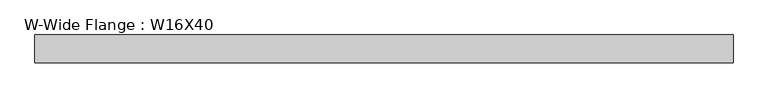
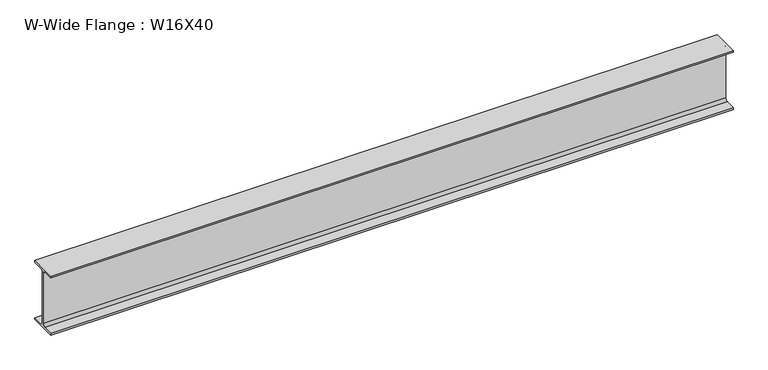
"""IFC4 building model written with IfcOpenShell, lengths in millimetres: beam geometry, W-Wide Flange : W16X40."""

from ifc_helpers import new_model, si_unit, point, frame, frame_2d, origin, place, context, project, spatial, polyline, circle_curve, trimmed, segment, composite_curve, outline, extrude, source, transform, mapped, element, save


def w_wide_flange_w16x40_737625fa(model_context):
    return source(origin(), model_context, "Body", "SweptSolid", [
        extrude(outline(composite_curve([segment(polyline([(88.9, -190.4), (88.9, -203.2), (-88.9, -203.2), (-88.9, -190.4), (-21.25, -190.4)]), True, "CONTINUOUS"), segment(trimmed(circle_curve(frame_2d((-21.25, -173.0)), 17.4), [point((-21.25, -190.4))], [point((-3.85, -173.0))], True, "CARTESIAN"), True, "CONTINUOUS"), segment(polyline([(-3.85, -173.0), (-3.85, 173.0)]), True, "CONTINUOUS"), segment(trimmed(circle_curve(frame_2d((-21.25, 173.0)), 17.4), [point((-3.85, 173.0))], [point((-21.25, 190.4))], True, "CARTESIAN"), True, "CONTINUOUS"), segment(polyline([(-21.25, 190.4), (-88.9, 190.4), (-88.9, 203.2), (88.9, 203.2), (88.9, 190.4), (21.25, 190.4)]), True, "CONTINUOUS"), segment(trimmed(circle_curve(frame_2d((21.25, 173.0)), 17.4), [point((21.25, 190.4))], [point((3.85, 173.0))], True, "CARTESIAN"), True, "CONTINUOUS"), segment(polyline([(3.85, 173.0), (3.85, -173.0)]), True, "CONTINUOUS"), segment(trimmed(circle_curve(frame_2d((21.25, -173.0)), 17.4), [point((3.85, -173.0))], [point((21.25, -190.4))], True, "CARTESIAN"), True, "CONTINUOUS"), segment(polyline([(21.25, -190.4), (88.9, -190.4)]), True, "CONTINUOUS")], self_intersect=False)), frame((-644.5686424, 0.0, 0.0), z_axis=(1.0, 0.0, 0.0), x_axis=(0.0, 1.0, 0.0)), (0.0, 0.0, 1.0), 4445.1852923),
    ])


if __name__ == "__main__":
    model = new_model("IFC4")
    model_context = context("Model", 3, world=origin())
    ifc_project = project(units=[si_unit("LENGTHUNIT", "METRE", prefix="MILLI")], contexts=[model_context])
    site = spatial("IfcSite", under=ifc_project)
    building = spatial("IfcBuilding", under=site)
    placement = place(None, origin())
    w_wide_flange_w16x40_shape = w_wide_flange_w16x40_737625fa(model_context)
    element("IfcBeam", 1, ObjectType="W-Wide Flange : W16X40", at=placement, inside=building, context=model_context, shape_type="MappedRepresentation", body=[
        mapped(w_wide_flange_w16x40_shape, transform((0.0, 0.0, 0.0), x_axis=(1.0, 0.0, 0.0), y_axis=(0.0, 1.0, 0.0), z_axis=(0.0, 0.0, 1.0))),
    ])
    save(model, "model.ifc")
